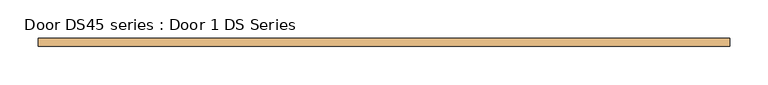
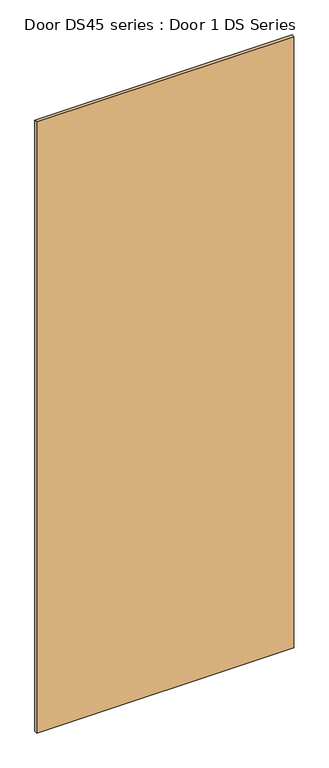
"""IFC4 building model written with IfcOpenShell, lengths in millimetres: door geometry, Door DS45 series : Door 1 DS Series."""

from ifc_helpers import new_model, si_unit, frame, origin, place, context, project, spatial, polyline, outline, extrude, source, transform, mapped, element, save


def door_ds45_series_door_1_ds_series_1e68c8d1(model_context):
    return source(origin(), model_context, "Body", "SweptSolid", [
        extrude(outline(polyline([(448.9002298, -5.0), (-448.9002298, -5.0), (-448.9002298, 5.0), (448.9002298, 5.0), (448.9002298, -5.0)])), frame((0.0, 0.0, 72.0748277), z_axis=(0.0, 0.0, 1.0), x_axis=(1.0, 0.0, 0.0)), (0.0, 0.0, 1.0), 2254.3644698),
    ])


if __name__ == "__main__":
    model = new_model("IFC4")
    model_context = context("Model", 3, world=origin())
    ifc_project = project(units=[si_unit("LENGTHUNIT", "METRE", prefix="MILLI")], contexts=[model_context])
    site = spatial("IfcSite", under=ifc_project)
    building = spatial("IfcBuilding", under=site)
    placement = place(None, origin())
    door_ds45_series_door_1_ds_series_shape = door_ds45_series_door_1_ds_series_1e68c8d1(model_context)
    element("IfcDoor", 1, ObjectType="Door DS45 series : Door 1 DS Series", at=placement, inside=building, context=model_context, shape_type="MappedRepresentation", body=[
        mapped(door_ds45_series_door_1_ds_series_shape, transform((0.0, 0.0, 0.0), x_axis=(1.0, 0.0, 0.0), y_axis=(0.0, 1.0, 0.0), z_axis=(0.0, 0.0, 1.0))),
    ])
    save(model, "model.ifc")
